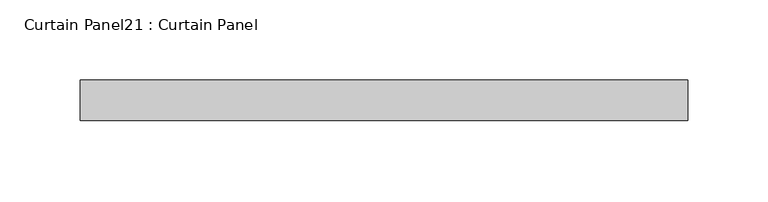
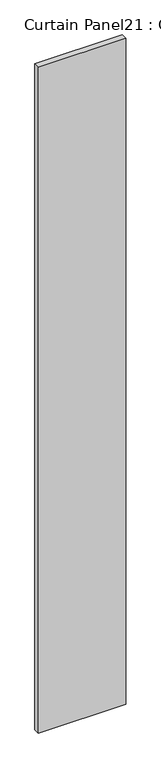
"""IFC4 building model written with IfcOpenShell, lengths in millimetres: plate geometry, Curtain Panel21 : Curtain Panel."""

from ifc_helpers import new_model, si_unit, frame, origin, place, context, project, spatial, polyline, outline, extrude, source, transform, mapped, element, save


def curtain_panel21_curtain_panel_ef1b3b69(model_context):
    return source(origin(), model_context, "Body", "SweptSolid", [
        extrude(outline(polyline([(62779.3862838, 2644.9341781), (63157.9817148, 2644.9341781), (63157.9817148, 2619.5341781), (62779.3862838, 2619.5341781), (62779.3862838, 2644.9341781)])), frame((0.0, 0.0, -994.8126169), z_axis=(0.0, 0.0, 1.0), x_axis=(1.0, 0.0, 0.0)), (0.0, 0.0, 1.0), 3048.0),
    ])


if __name__ == "__main__":
    model = new_model("IFC4")
    model_context = context("Model", 3, world=origin())
    ifc_project = project(units=[si_unit("LENGTHUNIT", "METRE", prefix="MILLI")], contexts=[model_context])
    site = spatial("IfcSite", under=ifc_project)
    building = spatial("IfcBuilding", under=site)
    placement = place(None, origin())
    curtain_panel21_curtain_panel_shape = curtain_panel21_curtain_panel_ef1b3b69(model_context)
    element("IfcPlate", 1, ObjectType="Curtain Panel21 : Curtain Panel", at=placement, inside=building, context=model_context, shape_type="MappedRepresentation", body=[
        mapped(curtain_panel21_curtain_panel_shape, transform((0.0, 0.0, 0.0), x_axis=(1.0, 0.0, 0.0), y_axis=(0.0, 1.0, 0.0), z_axis=(0.0, 0.0, 1.0))),
    ])
    save(model, "model.ifc")
